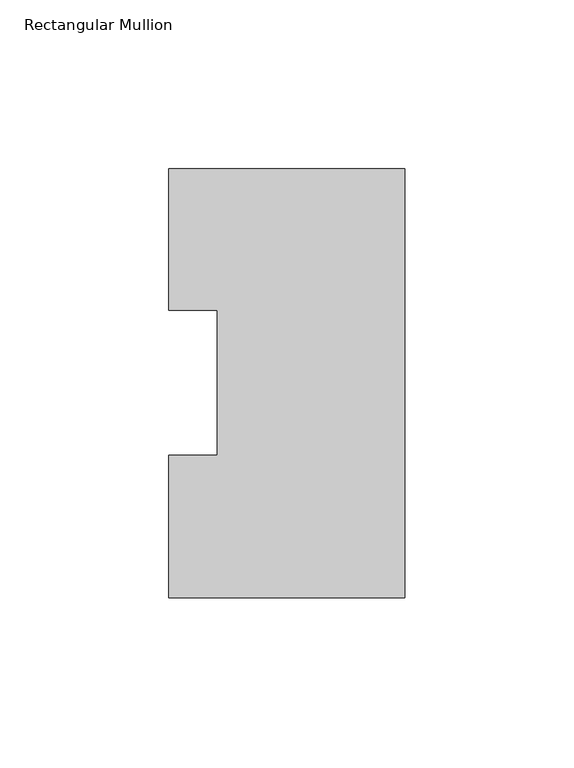
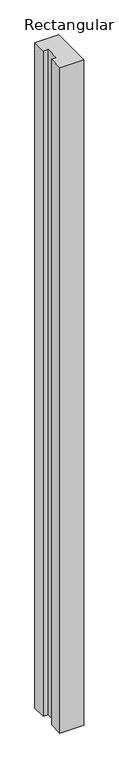
"""IFC4 building model written with IfcOpenShell, lengths in millimetres: member geometry, Rectangular Mullion."""

from ifc_helpers import new_model, si_unit, frame, origin, place, context, project, spatial, polyline, outline, extrude, source, transform, mapped, element, save


def rectangular_mullion_92fe8a58(model_context):
    return source(origin(), model_context, "Body", "SweptSolid", [
        extrude(outline(polyline([(-69.85, 126.79045), (0.0, 126.79045), (0.0, -0.20955), (-69.85, -0.20955), (-69.85, 42.08145), (-55.5625, 42.08145), (-55.5625, 84.93125), (-69.85, 84.93125), (-69.85, 126.79045)])), frame((0.0, 0.0, -2060.575), z_axis=(0.0, 0.0, 1.0), x_axis=(1.0, 0.0, 0.0)), (0.0, 0.0, 1.0), 2060.575),
    ])


if __name__ == "__main__":
    model = new_model("IFC4")
    model_context = context("Model", 3, world=origin())
    ifc_project = project(units=[si_unit("LENGTHUNIT", "METRE", prefix="MILLI")], contexts=[model_context])
    site = spatial("IfcSite", under=ifc_project)
    building = spatial("IfcBuilding", under=site)
    placement = place(None, origin())
    rectangular_mullion_shape = rectangular_mullion_92fe8a58(model_context)
    element("IfcMember", 1, ObjectType="Rectangular Mullion", at=placement, inside=building, context=model_context, shape_type="MappedRepresentation", body=[
        mapped(rectangular_mullion_shape, transform((0.0, 0.0, 0.0), x_axis=(1.0, 0.0, 0.0), y_axis=(0.0, 1.0, 0.0), z_axis=(0.0, 0.0, 1.0))),
    ])
    save(model, "model.ifc")
